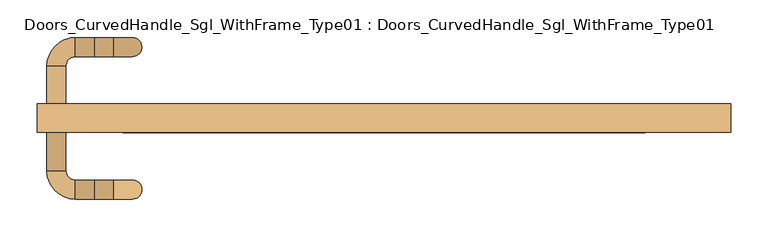
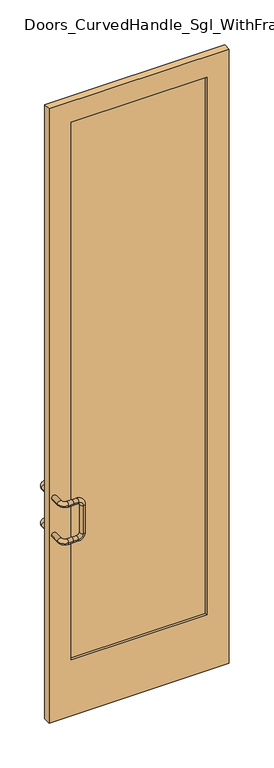
"""IFC4 building model written with IfcOpenShell, lengths in millimetres: door geometry, Doors_CurvedHandle_Sgl_WithFrame_Type01 : Doors_CurvedHandle_Sgl_WithFrame_Type01."""

from ifc_helpers import new_model, si_unit, point, frame, origin, place, context, project, spatial, polyline, circle_curve, ellipse_curve, trimmed, outline, extrude, source, transform, mapped, element, save
from ifc_brep_helpers import plane_surface, cylinder_surface, revolved_surface, advanced_brep


def doors_curvedhandle_sgl_withframe_type01_doors_curvedhandle_ec525944(model_context):
    return source(origin(), model_context, "Body", "SolidModel", [
        advanced_brep(
        [(-425.45, -19.05, 1219.2), (-450.85, -19.05, 1219.2), (-425.45, 31.75, 1219.2), (-450.85, 31.75, 1219.2), (-412.75, 69.85, 1219.2), (-412.75, 44.45, 1219.2), (-387.35, 44.45, 1219.2), (-387.35, 69.85, 1219.2), (-361.95, 44.45, 1219.2), (-361.95, 69.85, 1219.2), (-336.55, 44.45, 1193.8), (-336.55, 69.85, 1193.8), (-336.55, 44.45, 1041.4), (-336.55, 69.85, 1041.4), (-361.95, 44.45, 1016.0), (-361.95, 69.85, 1016.0), (-387.35, 44.45, 1016.0), (-387.35, 69.85, 1016.0), (-425.45, -19.05, 1016.0), (-450.85, -19.05, 1016.0), (-425.45, 31.75, 1016.0), (-450.85, 31.75, 1016.0), (-412.75, 69.85, 1016.0), (-412.75, 44.45, 1016.0)],
        [
            (0, 1, circle_curve(frame((-438.15, -19.05, 1219.2), z_axis=(0.0, -1.0, 0.0), x_axis=(-1.0, 0.0, 0.0)), 12.7)),
            (1, 0, circle_curve(frame((-438.15, -19.05, 1219.2), z_axis=(0.0, -1.0, 0.0), x_axis=(-1.0, 0.0, 0.0)), 12.7)),
            (0, 2),
            (2, 3, circle_curve(frame((-438.15, 31.75, 1219.2), z_axis=(0.0, -1.0, 0.0), x_axis=(-1.0, 0.0, 0.0)), 12.7)),
            (3, 1),
            (3, 2, circle_curve(frame((-438.15, 31.75, 1219.2), z_axis=(0.0, -1.0, 0.0), x_axis=(-1.0, 0.0, 0.0)), 12.7)),
            (4, 5, circle_curve(frame((-412.75, 57.15, 1219.2), z_axis=(1.0, 0.0, 0.0), x_axis=(0.0, 1.0, 0.0)), 12.7)),
            (5, 6),
            (6, 7, circle_curve(frame((-387.35, 57.15, 1219.2), z_axis=(-1.0, 0.0, 0.0), x_axis=(0.0, 1.0, 0.0)), 12.7)),
            (7, 4),
            (5, 4, circle_curve(frame((-412.75, 57.15, 1219.2), z_axis=(1.0, 0.0, 0.0), x_axis=(0.0, 1.0, 0.0)), 12.7)),
            (7, 6, circle_curve(frame((-387.35, 57.15, 1219.2), z_axis=(-1.0, 0.0, 0.0), x_axis=(0.0, 1.0, 0.0)), 12.7)),
            (2, 5, circle_curve(frame((-412.75, 31.75, 1219.2), z_axis=(0.0, 0.0, -1.0), x_axis=(-1.0, 0.0, 0.0)), 12.7)),
            (4, 3, circle_curve(frame((-412.75, 31.75, 1219.2), z_axis=(0.0, 0.0, 1.0), x_axis=(-1.0, 0.0, 0.0)), 38.1)),
            (6, 8),
            (8, 9, circle_curve(frame((-361.95, 57.15, 1219.2), z_axis=(-1.0, 0.0, 0.0), x_axis=(0.0, 1.0, 0.0)), 12.7)),
            (9, 7),
            (9, 8, circle_curve(frame((-361.95, 57.15, 1219.2), z_axis=(-1.0, 0.0, 0.0), x_axis=(0.0, 1.0, 0.0)), 12.7)),
            (8, 10, circle_curve(frame((-361.95, 44.45, 1193.8), z_axis=(0.0, 1.0, 0.0), x_axis=(0.0, 0.0, 1.0)), 25.4)),
            (10, 11, circle_curve(frame((-336.55, 57.15, 1193.8), z_axis=(0.0, 0.0, 1.0), x_axis=(0.0, 1.0, 0.0)), 12.7)),
            (11, 9, circle_curve(frame((-361.95, 69.85, 1193.8), z_axis=(0.0, -1.0, 0.0), x_axis=(0.0, 0.0, 1.0)), 25.4)),
            (11, 10, circle_curve(frame((-336.55, 57.15, 1193.8), z_axis=(0.0, 0.0, 1.0), x_axis=(0.0, 1.0, 0.0)), 12.7)),
            (10, 12),
            (12, 13, circle_curve(frame((-336.55, 57.15, 1041.4), z_axis=(0.0, 0.0, 1.0), x_axis=(0.0, 1.0, 0.0)), 12.7)),
            (13, 11),
            (13, 12, circle_curve(frame((-336.55, 57.15, 1041.4), z_axis=(0.0, 0.0, 1.0), x_axis=(0.0, 1.0, 0.0)), 12.7)),
            (12, 14, circle_curve(frame((-361.95, 44.45, 1041.4), z_axis=(0.0, 1.0, 0.0), x_axis=(1.0, 0.0, 0.0)), 25.4)),
            (14, 15, circle_curve(frame((-361.95, 57.15, 1016.0), z_axis=(1.0, 0.0, 0.0), x_axis=(0.0, 1.0, 0.0)), 12.7)),
            (15, 13, circle_curve(frame((-361.95, 69.85, 1041.4), z_axis=(0.0, -1.0, 0.0), x_axis=(1.0, 0.0, 0.0)), 25.4)),
            (15, 14, circle_curve(frame((-361.95, 57.15, 1016.0), z_axis=(1.0, 0.0, 0.0), x_axis=(0.0, 1.0, 0.0)), 12.7)),
            (14, 16),
            (16, 17, circle_curve(frame((-387.35, 57.15, 1016.0), z_axis=(1.0, 0.0, 0.0), x_axis=(0.0, 1.0, 0.0)), 12.7)),
            (17, 15),
            (17, 16, circle_curve(frame((-387.35, 57.15, 1016.0), z_axis=(1.0, 0.0, 0.0), x_axis=(0.0, 1.0, 0.0)), 12.7)),
            (18, 19, circle_curve(frame((-438.15, -19.05, 1016.0), z_axis=(0.0, -1.0, 0.0), x_axis=(-1.0, 0.0, 0.0)), 12.7)),
            (19, 18, circle_curve(frame((-438.15, -19.05, 1016.0), z_axis=(0.0, -1.0, 0.0), x_axis=(-1.0, 0.0, 0.0)), 12.7)),
            (18, 20),
            (20, 21, circle_curve(frame((-438.15, 31.75, 1016.0), z_axis=(0.0, -1.0, 0.0), x_axis=(-1.0, 0.0, 0.0)), 12.7)),
            (21, 19),
            (21, 20, circle_curve(frame((-438.15, 31.75, 1016.0), z_axis=(0.0, -1.0, 0.0), x_axis=(-1.0, 0.0, 0.0)), 12.7)),
            (22, 23, circle_curve(frame((-412.75, 57.15, 1016.0), z_axis=(1.0, 0.0, 0.0), x_axis=(0.0, 1.0, 0.0)), 12.7)),
            (23, 16),
            (17, 22),
            (23, 22, circle_curve(frame((-412.75, 57.15, 1016.0), z_axis=(1.0, 0.0, 0.0), x_axis=(0.0, 1.0, 0.0)), 12.7)),
            (20, 23, circle_curve(frame((-412.75, 31.75, 1016.0), z_axis=(0.0, 0.0, -1.0), x_axis=(-1.0, 0.0, 0.0)), 12.7)),
            (22, 21, circle_curve(frame((-412.75, 31.75, 1016.0), z_axis=(0.0, 0.0, 1.0), x_axis=(-1.0, 0.0, 0.0)), 38.1)),
        ],
        [
            plane_surface(frame((-438.15, -19.05, 1276.2853236), z_axis=(0.0, -1.0, 0.0), x_axis=(0.0, 0.0, 1.0))),
            cylinder_surface(frame((-438.15, -19.05, 1219.2), z_axis=(0.0, -1.0, 0.0), x_axis=(-1.0, 0.0, 0.0)), 12.7),
            cylinder_surface(frame((-412.75, 57.15, 1219.2), z_axis=(-1.0, 0.0, 0.0), x_axis=(0.0, 1.0, 0.0)), 12.7),
            revolved_surface(trimmed(ellipse_curve(frame((-438.15, 31.75, 1219.2), z_axis=(0.0, -1.0, 0.0), x_axis=(-1.0, 0.0, 0.0)), 12.7, 12.7), [point((-425.45, 31.75, 1219.2))], [point((-450.85, 31.75, 1219.2))], True, "CARTESIAN"), (-412.75, 31.75, 1276.2853236), (0.0, 0.0, -1.0)),
            revolved_surface(trimmed(ellipse_curve(frame((-438.15, 31.75, 1219.2), z_axis=(0.0, -1.0, 0.0), x_axis=(-1.0, 0.0, 0.0)), 12.7, 12.7), [point((-450.85, 31.75, 1219.2))], [point((-425.45, 31.75, 1219.2))], True, "CARTESIAN"), (-412.75, 31.75, 1276.2853236), (0.0, 0.0, -1.0)),
            cylinder_surface(frame((-387.35, 57.15, 1219.2), z_axis=(-1.0, 0.0, 0.0), x_axis=(0.0, 1.0, 0.0)), 12.7),
            revolved_surface(trimmed(ellipse_curve(frame((-361.95, 57.15, 1219.2), z_axis=(-1.0, 0.0, 0.0), x_axis=(0.0, 1.0, 0.0)), 12.7, 12.7), [point((-361.95, 44.45, 1219.2))], [point((-361.95, 69.85, 1219.2))], True, "CARTESIAN"), (-361.95, 57.15, 1193.8), (0.0, 1.0, 0.0)),
            revolved_surface(trimmed(ellipse_curve(frame((-361.95, 57.15, 1219.2), z_axis=(-1.0, 0.0, 0.0), x_axis=(0.0, 1.0, 0.0)), 12.7, 12.7), [point((-361.95, 69.85, 1219.2))], [point((-361.95, 44.45, 1219.2))], True, "CARTESIAN"), (-361.95, 57.15, 1193.8), (0.0, 1.0, 0.0)),
            cylinder_surface(frame((-336.55, 57.15, 1193.8), z_axis=(0.0, 0.0, 1.0), x_axis=(0.0, 1.0, 0.0)), 12.7),
            revolved_surface(trimmed(ellipse_curve(frame((-336.55, 57.15, 1041.4), z_axis=(0.0, 0.0, 1.0), x_axis=(0.0, 1.0, 0.0)), 12.7, 12.7), [point((-336.55, 44.45, 1041.4))], [point((-336.55, 69.85, 1041.4))], True, "CARTESIAN"), (-361.95, 57.15, 1041.4), (0.0, 1.0, 0.0)),
            revolved_surface(trimmed(ellipse_curve(frame((-336.55, 57.15, 1041.4), z_axis=(0.0, 0.0, 1.0), x_axis=(0.0, 1.0, 0.0)), 12.7, 12.7), [point((-336.55, 69.85, 1041.4))], [point((-336.55, 44.45, 1041.4))], True, "CARTESIAN"), (-361.95, 57.15, 1041.4), (0.0, 1.0, 0.0)),
            cylinder_surface(frame((-361.95, 57.15, 1016.0), z_axis=(1.0, 0.0, 0.0), x_axis=(0.0, 1.0, 0.0)), 12.7),
            plane_surface(frame((-438.15, -19.05, 1016.0), z_axis=(0.0, -1.0, 0.0), x_axis=(0.0, 0.0, 1.0))),
            cylinder_surface(frame((-438.15, -19.05, 1016.0), z_axis=(0.0, -1.0, 0.0), x_axis=(-1.0, 0.0, 0.0)), 12.7),
            cylinder_surface(frame((-412.75, 57.15, 1016.0), z_axis=(-1.0, 0.0, 0.0), x_axis=(0.0, 1.0, 0.0)), 12.7),
            revolved_surface(trimmed(ellipse_curve(frame((-438.15, 31.75, 1016.0), z_axis=(0.0, -1.0, 0.0), x_axis=(-1.0, 0.0, 0.0)), 12.7, 12.7), [point((-425.45, 31.75, 1016.0))], [point((-450.85, 31.75, 1016.0))], True, "CARTESIAN"), (-412.75, 31.75, 1016.0), (0.0, 0.0, -1.0)),
            revolved_surface(trimmed(ellipse_curve(frame((-438.15, 31.75, 1016.0), z_axis=(0.0, -1.0, 0.0), x_axis=(-1.0, 0.0, 0.0)), 12.7, 12.7), [point((-450.85, 31.75, 1016.0))], [point((-425.45, 31.75, 1016.0))], True, "CARTESIAN"), (-412.75, 31.75, 1016.0), (0.0, 0.0, -1.0)),
        ],
        [
            (0, [[1, 2]]),
            (1, [[-1, 3, 4, 5]]),
            (1, [[-2, -5, 6, -3]]),
            (2, [[7, 8, 9, 10]]),
            (2, [[-8, 11, -10, 12]]),
            (3, [[-4, 13, -7, 14]]),
            (4, [[-6, -14, -11, -13]]),
            (5, [[15, 16, 17, -9]]),
            (5, [[-15, -12, -17, 18]]),
            (6, [[-16, 19, 20, 21]]),
            (7, [[-18, -21, 22, -19]]),
            (8, [[-20, 23, 24, 25]]),
            (8, [[-22, -25, 26, -23]]),
            (9, [[-24, 27, 28, 29]]),
            (10, [[-26, -29, 30, -27]]),
            (11, [[-28, 31, 32, 33]]),
            (11, [[-30, -33, 34, -31]]),
            (12, [[35, 36]]),
            (13, [[-35, 37, 38, 39]]),
            (13, [[-36, -39, 40, -37]]),
            (14, [[41, 42, -34, 43]]),
            (14, [[-42, 44, -43, -32]]),
            (15, [[-38, 45, -41, 46]]),
            (16, [[-40, -46, -44, -45]]),
        ],
    ),
        advanced_brep(
        [(-425.45, -57.15, 1219.2), (-450.85, -57.15, 1219.2), (-450.85, -107.95, 1219.2), (-425.45, -107.95, 1219.2), (-412.75, -146.05, 1219.2), (-387.35, -146.05, 1219.2), (-387.35, -120.65, 1219.2), (-412.75, -120.65, 1219.2), (-361.95, -146.05, 1219.2), (-361.95, -120.65, 1219.2), (-336.55, -146.05, 1193.8), (-336.55, -120.65, 1193.8), (-336.55, -146.05, 1041.4), (-336.55, -120.65, 1041.4), (-361.95, -146.05, 1016.0), (-361.95, -120.65, 1016.0), (-387.35, -146.05, 1016.0), (-387.35, -120.65, 1016.0), (-425.45, -57.15, 1016.0), (-450.85, -57.15, 1016.0), (-450.85, -107.95, 1016.0), (-425.45, -107.95, 1016.0), (-412.75, -146.05, 1016.0), (-412.75, -120.65, 1016.0)],
        [
            (0, 1, circle_curve(frame((-438.15, -57.15, 1219.2), z_axis=(0.0, 1.0, 0.0), x_axis=(-1.0, 0.0, 0.0)), 12.7)),
            (1, 0, circle_curve(frame((-438.15, -57.15, 1219.2), z_axis=(0.0, 1.0, 0.0), x_axis=(-1.0, 0.0, 0.0)), 12.7)),
            (1, 2),
            (2, 3, circle_curve(frame((-438.15, -107.95, 1219.2), z_axis=(0.0, 1.0, 0.0), x_axis=(-1.0, 0.0, 0.0)), 12.7)),
            (3, 0),
            (3, 2, circle_curve(frame((-438.15, -107.95, 1219.2), z_axis=(0.0, 1.0, 0.0), x_axis=(-1.0, 0.0, 0.0)), 12.7)),
            (4, 5),
            (5, 6, circle_curve(frame((-387.35, -133.35, 1219.2), z_axis=(-1.0, 0.0, 0.0), x_axis=(0.0, -1.0, 0.0)), 12.7)),
            (6, 7),
            (7, 4, circle_curve(frame((-412.75, -133.35, 1219.2), z_axis=(1.0, 0.0, 0.0), x_axis=(0.0, -1.0, 0.0)), 12.7)),
            (6, 5, circle_curve(frame((-387.35, -133.35, 1219.2), z_axis=(-1.0, 0.0, 0.0), x_axis=(0.0, -1.0, 0.0)), 12.7)),
            (4, 7, circle_curve(frame((-412.75, -133.35, 1219.2), z_axis=(1.0, 0.0, 0.0), x_axis=(0.0, -1.0, 0.0)), 12.7)),
            (2, 4, circle_curve(frame((-412.75, -107.95, 1219.2), z_axis=(0.0, 0.0, 1.0), x_axis=(-1.0, 0.0, 0.0)), 38.1)),
            (7, 3, circle_curve(frame((-412.75, -107.95, 1219.2), z_axis=(0.0, 0.0, -1.0), x_axis=(-1.0, 0.0, 0.0)), 12.7)),
            (5, 8),
            (8, 9, circle_curve(frame((-361.95, -133.35, 1219.2), z_axis=(-1.0, 0.0, 0.0), x_axis=(0.0, -1.0, 0.0)), 12.7)),
            (9, 6),
            (9, 8, circle_curve(frame((-361.95, -133.35, 1219.2), z_axis=(-1.0, 0.0, 0.0), x_axis=(0.0, -1.0, 0.0)), 12.7)),
            (8, 10, circle_curve(frame((-361.95, -146.05, 1193.8), z_axis=(0.0, 1.0, 0.0), x_axis=(0.0, 0.0, 1.0)), 25.4)),
            (10, 11, circle_curve(frame((-336.55, -133.35, 1193.8), z_axis=(0.0, 0.0, 1.0), x_axis=(0.0, -1.0, 0.0)), 12.7)),
            (11, 9, circle_curve(frame((-361.95, -120.65, 1193.8), z_axis=(0.0, -1.0, 0.0), x_axis=(0.0, 0.0, 1.0)), 25.4)),
            (11, 10, circle_curve(frame((-336.55, -133.35, 1193.8), z_axis=(0.0, 0.0, 1.0), x_axis=(0.0, -1.0, 0.0)), 12.7)),
            (10, 12),
            (12, 13, circle_curve(frame((-336.55, -133.35, 1041.4), z_axis=(0.0, 0.0, 1.0), x_axis=(0.0, -1.0, 0.0)), 12.7)),
            (13, 11),
            (13, 12, circle_curve(frame((-336.55, -133.35, 1041.4), z_axis=(0.0, 0.0, 1.0), x_axis=(0.0, -1.0, 0.0)), 12.7)),
            (12, 14, circle_curve(frame((-361.95, -146.05, 1041.4), z_axis=(0.0, 1.0, 0.0), x_axis=(1.0, 0.0, 0.0)), 25.4)),
            (14, 15, circle_curve(frame((-361.95, -133.35, 1016.0), z_axis=(1.0, 0.0, 0.0), x_axis=(0.0, -1.0, 0.0)), 12.7)),
            (15, 13, circle_curve(frame((-361.95, -120.65, 1041.4), z_axis=(0.0, -1.0, 0.0), x_axis=(1.0, 0.0, 0.0)), 25.4)),
            (15, 14, circle_curve(frame((-361.95, -133.35, 1016.0), z_axis=(1.0, 0.0, 0.0), x_axis=(0.0, -1.0, 0.0)), 12.7)),
            (14, 16),
            (16, 17, circle_curve(frame((-387.35, -133.35, 1016.0), z_axis=(1.0, 0.0, 0.0), x_axis=(0.0, -1.0, 0.0)), 12.7)),
            (17, 15),
            (17, 16, circle_curve(frame((-387.35, -133.35, 1016.0), z_axis=(1.0, 0.0, 0.0), x_axis=(0.0, -1.0, 0.0)), 12.7)),
            (18, 19, circle_curve(frame((-438.15, -57.15, 1016.0), z_axis=(0.0, 1.0, 0.0), x_axis=(-1.0, 0.0, 0.0)), 12.7)),
            (19, 18, circle_curve(frame((-438.15, -57.15, 1016.0), z_axis=(0.0, 1.0, 0.0), x_axis=(-1.0, 0.0, 0.0)), 12.7)),
            (19, 20),
            (20, 21, circle_curve(frame((-438.15, -107.95, 1016.0), z_axis=(0.0, 1.0, 0.0), x_axis=(-1.0, 0.0, 0.0)), 12.7)),
            (21, 18),
            (21, 20, circle_curve(frame((-438.15, -107.95, 1016.0), z_axis=(0.0, 1.0, 0.0), x_axis=(-1.0, 0.0, 0.0)), 12.7)),
            (22, 16),
            (17, 23),
            (23, 22, circle_curve(frame((-412.75, -133.35, 1016.0), z_axis=(1.0, 0.0, 0.0), x_axis=(0.0, -1.0, 0.0)), 12.7)),
            (22, 23, circle_curve(frame((-412.75, -133.35, 1016.0), z_axis=(1.0, 0.0, 0.0), x_axis=(0.0, -1.0, 0.0)), 12.7)),
            (20, 22, circle_curve(frame((-412.75, -107.95, 1016.0), z_axis=(0.0, 0.0, 1.0), x_axis=(-1.0, 0.0, 0.0)), 38.1)),
            (23, 21, circle_curve(frame((-412.75, -107.95, 1016.0), z_axis=(0.0, 0.0, -1.0), x_axis=(-1.0, 0.0, 0.0)), 12.7)),
        ],
        [
            plane_surface(frame((-438.15, -57.15, 1276.2853236), z_axis=(0.0, 1.0, 0.0), x_axis=(0.0, 0.0, 1.0))),
            cylinder_surface(frame((-438.15, -57.15, 1219.2), z_axis=(0.0, 1.0, 0.0), x_axis=(-1.0, 0.0, 0.0)), 12.7),
            cylinder_surface(frame((-412.75, -133.35, 1219.2), z_axis=(-1.0, 0.0, 0.0), x_axis=(0.0, -1.0, 0.0)), 12.7),
            revolved_surface(trimmed(ellipse_curve(frame((-438.15, -107.95, 1219.2), z_axis=(0.0, -1.0, 0.0), x_axis=(-1.0, 0.0, 0.0)), 12.7, 12.7), [point((-425.45, -107.95, 1219.2))], [point((-450.85, -107.95, 1219.2))], True, "CARTESIAN"), (-412.75, -107.95, 1276.2853236), (0.0, 0.0, -1.0)),
            revolved_surface(trimmed(ellipse_curve(frame((-438.15, -107.95, 1219.2), z_axis=(0.0, -1.0, 0.0), x_axis=(-1.0, 0.0, 0.0)), 12.7, 12.7), [point((-450.85, -107.95, 1219.2))], [point((-425.45, -107.95, 1219.2))], True, "CARTESIAN"), (-412.75, -107.95, 1276.2853236), (0.0, 0.0, -1.0)),
            cylinder_surface(frame((-387.35, -133.35, 1219.2), z_axis=(-1.0, 0.0, 0.0), x_axis=(0.0, -1.0, 0.0)), 12.7),
            revolved_surface(trimmed(ellipse_curve(frame((-361.95, -133.35, 1219.2), z_axis=(1.0, 0.0, 0.0), x_axis=(0.0, -1.0, 0.0)), 12.7, 12.7), [point((-361.95, -120.65, 1219.2))], [point((-361.95, -146.05, 1219.2))], True, "CARTESIAN"), (-361.95, -133.35, 1193.8), (0.0, -1.0, 0.0)),
            revolved_surface(trimmed(ellipse_curve(frame((-361.95, -133.35, 1219.2), z_axis=(1.0, 0.0, 0.0), x_axis=(0.0, -1.0, 0.0)), 12.7, 12.7), [point((-361.95, -146.05, 1219.2))], [point((-361.95, -120.65, 1219.2))], True, "CARTESIAN"), (-361.95, -133.35, 1193.8), (0.0, -1.0, 0.0)),
            cylinder_surface(frame((-336.55, -133.35, 1193.8), z_axis=(0.0, 0.0, 1.0), x_axis=(0.0, -1.0, 0.0)), 12.7),
            revolved_surface(trimmed(ellipse_curve(frame((-336.55, -133.35, 1041.4), z_axis=(0.0, 0.0, -1.0), x_axis=(0.0, -1.0, 0.0)), 12.7, 12.7), [point((-336.55, -120.65, 1041.4))], [point((-336.55, -146.05, 1041.4))], True, "CARTESIAN"), (-361.95, -133.35, 1041.4), (0.0, -1.0, 0.0)),
            revolved_surface(trimmed(ellipse_curve(frame((-336.55, -133.35, 1041.4), z_axis=(0.0, 0.0, -1.0), x_axis=(0.0, -1.0, 0.0)), 12.7, 12.7), [point((-336.55, -146.05, 1041.4))], [point((-336.55, -120.65, 1041.4))], True, "CARTESIAN"), (-361.95, -133.35, 1041.4), (0.0, -1.0, 0.0)),
            cylinder_surface(frame((-361.95, -133.35, 1016.0), z_axis=(1.0, 0.0, 0.0), x_axis=(0.0, -1.0, 0.0)), 12.7),
            plane_surface(frame((-438.15, -57.15, 1016.0), z_axis=(0.0, 1.0, 0.0), x_axis=(0.0, 0.0, 1.0))),
            cylinder_surface(frame((-438.15, -57.15, 1016.0), z_axis=(0.0, 1.0, 0.0), x_axis=(-1.0, 0.0, 0.0)), 12.7),
            cylinder_surface(frame((-412.75, -133.35, 1016.0), z_axis=(-1.0, 0.0, 0.0), x_axis=(0.0, -1.0, 0.0)), 12.7),
            revolved_surface(trimmed(ellipse_curve(frame((-438.15, -107.95, 1016.0), z_axis=(0.0, -1.0, 0.0), x_axis=(-1.0, 0.0, 0.0)), 12.7, 12.7), [point((-425.45, -107.95, 1016.0))], [point((-450.85, -107.95, 1016.0))], True, "CARTESIAN"), (-412.75, -107.95, 1016.0), (0.0, 0.0, -1.0)),
            revolved_surface(trimmed(ellipse_curve(frame((-438.15, -107.95, 1016.0), z_axis=(0.0, -1.0, 0.0), x_axis=(-1.0, 0.0, 0.0)), 12.7, 12.7), [point((-450.85, -107.95, 1016.0))], [point((-425.45, -107.95, 1016.0))], True, "CARTESIAN"), (-412.75, -107.95, 1016.0), (0.0, 0.0, -1.0)),
        ],
        [
            (0, [[1, 2]]),
            (1, [[3, 4, 5, -2]]),
            (1, [[-5, 6, -3, -1]]),
            (2, [[7, 8, 9, 10]]),
            (2, [[11, -7, 12, -9]]),
            (3, [[13, -10, 14, -4]]),
            (4, [[-14, -12, -13, -6]]),
            (5, [[-8, 15, 16, 17]]),
            (5, [[18, -15, -11, -17]]),
            (6, [[19, 20, 21, -16]]),
            (7, [[-21, 22, -19, -18]]),
            (8, [[23, 24, 25, -20]]),
            (8, [[-25, 26, -23, -22]]),
            (9, [[27, 28, 29, -24]]),
            (10, [[-29, 30, -27, -26]]),
            (11, [[31, 32, 33, -28]]),
            (11, [[-33, 34, -31, -30]]),
            (12, [[35, 36]]),
            (13, [[37, 38, 39, -36]]),
            (13, [[-39, 40, -37, -35]]),
            (14, [[41, -34, 42, 43]]),
            (14, [[-32, -41, 44, -42]]),
            (15, [[45, -43, 46, -38]]),
            (16, [[-46, -44, -45, -40]]),
        ],
    ),
        extrude(outline(polyline([(3340.5992781, 463.55), (3340.5992781, -463.55), (0.0, -463.55), (0.0, 463.55), (3340.5992781, 463.55)]), holes=[polyline([(304.8, -349.25), (3226.2992781, -349.25), (3226.2992781, 349.25), (304.8, 349.25), (304.8, -349.25)])]), frame((0.0, -57.15, 0.0), z_axis=(0.0, 1.0, 0.0), x_axis=(0.0, 0.0, 1.0)), (0.0, 0.0, 1.0), 38.1),
        extrude(outline(polyline([(349.25, -31.75), (349.25, -44.45), (-349.25, -44.45), (-349.25, -31.75), (349.25, -31.75)])), frame((0.0, 0.0, 304.8), z_axis=(0.0, 0.0, 1.0), x_axis=(1.0, 0.0, 0.0)), (0.0, 0.0, 1.0), 2921.4992781),
    ])


if __name__ == "__main__":
    model = new_model("IFC4")
    model_context = context("Model", 3, world=origin())
    ifc_project = project(units=[si_unit("LENGTHUNIT", "METRE", prefix="MILLI")], contexts=[model_context])
    site = spatial("IfcSite", under=ifc_project)
    building = spatial("IfcBuilding", under=site)
    placement = place(None, origin())
    doors_curvedhandle_sgl_withframe_type01_doors_curvedhandle_shape = doors_curvedhandle_sgl_withframe_type01_doors_curvedhandle_ec525944(model_context)
    element("IfcDoor", 1, ObjectType="Doors_CurvedHandle_Sgl_WithFrame_Type01 : Doors_CurvedHandle_Sgl_WithFrame_Type01", at=placement, inside=building, context=model_context, shape_type="MappedRepresentation", body=[
        mapped(doors_curvedhandle_sgl_withframe_type01_doors_curvedhandle_shape, transform((0.0, 0.0, 0.0), x_axis=(1.0, 0.0, 0.0), y_axis=(0.0, 1.0, 0.0), z_axis=(0.0, 0.0, 1.0))),
    ])
    save(model, "model.ifc")
